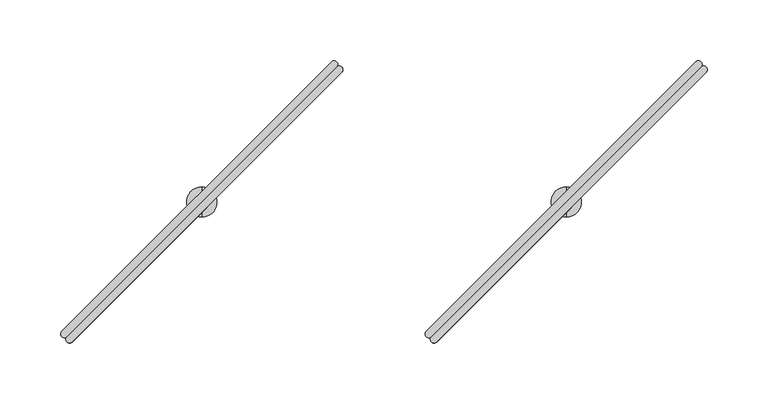
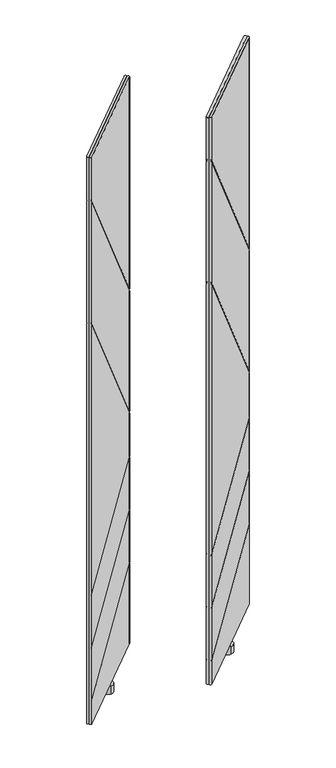
"""IFC4 building model written with IfcOpenShell, lengths in millimetres: furniture geometry."""

from ifc_helpers import new_model, si_unit, frame, origin, place, context, project, spatial, circle_curve, ellipse_curve, source, transform, mapped, element, save
from ifc_brep_helpers import plane_surface, cylinder_surface, advanced_brep


def furniture_d67586f5(model_context):
    return source(origin(), model_context, "Body", "AdvancedBrep", [
        advanced_brep(
        [(489.0781344, -183.0476726, 1544.5359983), (711.0420147, 39.0094149, 1544.5359983), (706.8263161, 43.2234083, 1544.5359983), (484.81456, -178.7849606, 1544.5359983), (489.0781344, -183.0476726, 44.4119983), (484.81456, -178.7849606, 44.4119983), (706.8263161, 43.2234083, 44.4119983), (711.0420147, 39.0094149, 44.4119983), (484.81456, -178.7849606, 1429.2878628), (484.3106978, -182.380027, 1433.3953437), (484.3106978, -182.380027, 1427.844375), (484.81456, -178.7849606, 1423.7368941), (484.81456, -178.7849606, 1105.2593803), (484.3106978, -182.380027, 1109.3659231), (484.3106978, -182.380027, 1103.8158008), (484.81456, -178.7849606, 1099.709258), (484.81456, -178.7849606, 391.2800429), (484.3106978, -182.380027, 389.9117165), (484.3106978, -182.380027, 386.372591), (484.81456, -178.7849606, 387.7409174), (484.81456, -178.7849606, 251.1168163), (484.3106978, -182.380027, 249.7483439), (484.3106978, -182.380027, 246.2091496), (484.81456, -178.7849606, 247.577622), (484.81456, -178.7849606, 110.9151613), (484.3106978, -182.380027, 109.5467302), (484.3106978, -182.380027, 106.0075554), (484.81456, -178.7849606, 107.3759865), (706.8263161, 43.2234083, 984.3412991), (706.8263161, 43.2234083, 255.6125147), (706.8263161, 43.2234083, 978.7903304), (706.8263161, 43.2234083, 660.4144411), (706.8263161, 43.2234083, 654.8643188), (706.8263161, 43.2234083, 539.5052317), (706.8263161, 43.2234083, 535.9661062), (706.8263161, 43.2234083, 399.3578128), (706.8263161, 43.2234083, 395.8186185), (706.8263161, 43.2234083, 259.1516895), (710.3498612, 43.6591364, 256.9343217), (710.3498612, 43.6591364, 260.4734965), (710.3498612, 43.6591364, 397.1404654), (710.3498612, 43.6591364, 400.6796597), (710.3498612, 43.6591364, 537.2878121), (710.3498612, 43.6591364, 540.8269377), (710.3498612, 43.6591364, 650.8976908), (710.3498612, 43.6591364, 656.4478131), (710.3498612, 43.6591364, 974.8227962), (710.3498612, 43.6591364, 980.3737649)],
        [
            (0, 1),
            (1, 2, circle_curve(frame((708.8820345, 41.0642596, 1544.5359983), z_axis=(0.0, 0.0, 1.0), x_axis=(0.6892541380737184, 0.724519656840486, 0.0)), 2.9812584)),
            (2, 3),
            (3, 0, circle_curve(frame((486.9461154, -180.9165485, 1544.5359983), z_axis=(0.0, 0.0, 1.0), x_axis=(-0.7071121751659861, -0.7071013871659622, 0.0)), 3.0144975)),
            (4, 5, circle_curve(frame((486.9461154, -180.9165485, 44.4119983), z_axis=(0.0, 0.0, -1.0), x_axis=(-0.7071121751659861, -0.7071013871659622, 0.0)), 3.0144975)),
            (5, 6),
            (6, 7, circle_curve(frame((708.8820345, 41.0642596, 44.4119983), z_axis=(0.0, 0.0, -1.0), x_axis=(0.6892541380737184, 0.724519656840486, 0.0)), 2.9812584)),
            (7, 4),
            (3, 8),
            (8, 9, ellipse_curve(frame((486.9461154, -180.9165485, 1429.2878953), z_axis=(0.577750975804524, 0.5777509758045234, 0.576548020475174), x_axis=(-0.40768101495767617, -0.4076810149576757, 0.817063265657047)), 5.2285281, 3.0144975)),
            (9, 10),
            (10, 11, ellipse_curve(frame((486.9461154, -180.9165485, 1423.7369267), z_axis=(-0.577750975804524, -0.5777509758045234, -0.576548020475174), x_axis=(-0.40768101495767617, -0.4076810149576757, 0.817063265657047)), 5.2285281, 3.0144975)),
            (11, 12),
            (12, 13, ellipse_curve(frame((486.9461154, -180.9165485, 1105.2594129), z_axis=(0.5777071023563686, 0.577707102356368, 0.576635940411294), x_axis=(-0.4077431837407081, -0.4077431837407078, 0.8170012192316377)), 5.2277309, 3.0144975)),
            (13, 14),
            (14, 15, ellipse_curve(frame((486.9461154, -180.9165485, 1099.7092905), z_axis=(-0.5777071023563686, -0.5777071023563679, -0.5766359404112942), x_axis=(-0.40774318374070834, -0.40774318374070784, 0.8170012192316375)), 5.2277309, 3.0144975)),
            (15, 16),
            (16, 17, ellipse_curve(frame((486.9461154, -180.9165485, 391.2800321), z_axis=(-0.3018753516577264, -0.3018753516577261, 0.9042911832607062), x_axis=(0.6394304278508526, 0.6394304278508519, 0.42691621646050404)), 3.3335474, 3.0144975)),
            (17, 18),
            (18, 19, ellipse_curve(frame((486.9461154, -180.9165485, 387.7409066), z_axis=(0.3018753516577265, 0.30187535165772633, -0.9042911832607061), x_axis=(0.6394304278508526, 0.6394304278508522, 0.4269162164605042)), 3.3335474, 3.0144975)),
            (19, 20),
            (20, 21, ellipse_curve(frame((486.9461154, -180.9165485, 251.1168054), z_axis=(-0.3019016772725295, -0.3019016772725292, 0.9042736060065379), x_axis=(0.6394179988552356, 0.6394179988552351, 0.4269534465019956)), 3.3336122, 3.0144975)),
            (21, 22),
            (22, 23, ellipse_curve(frame((486.9461154, -180.9165485, 247.5776111), z_axis=(0.3019016772725295, 0.30190167727252887, -0.9042736060065379), x_axis=(0.639417998855236, 0.6394179988552348, 0.42695344650199585)), 3.3336122, 3.0144975)),
            (23, 24),
            (24, 25, ellipse_curve(frame((486.9461154, -180.9165485, 110.9151505), z_axis=(-0.30189423598003035, -0.30189423598003007, 0.9042785746461471), x_axis=(0.6394215122139965, 0.6394215122139959, 0.4269429229252227)), 3.3335939, 3.0144975)),
            (25, 26),
            (26, 27, ellipse_curve(frame((486.9461154, -180.9165485, 107.3759756), z_axis=(0.30189423598002996, 0.3018942359800298, -0.9042785746461475), x_axis=(0.6394215122139967, 0.6394215122139962, 0.4269429229252216)), 3.3335939, 3.0144975)),
            (27, 5),
            (4, 0),
            (2, 28),
            (28, 8),
            (27, 29),
            (29, 6),
            (11, 30),
            (30, 31),
            (31, 12),
            (15, 32),
            (32, 33),
            (33, 16),
            (19, 34),
            (34, 35),
            (35, 20),
            (23, 36),
            (36, 37),
            (37, 24),
            (1, 7),
            (29, 38, ellipse_curve(frame((708.8820345, 41.0642596, 255.5779843), z_axis=(0.30189423598002996, 0.3018942359800298, -0.9042785746461475), x_axis=(0.6394215122139967, 0.6394215122139962, 0.4269429229252216)), 3.2968362, 2.9812584)),
            (38, 39),
            (39, 37, ellipse_curve(frame((708.8820345, 41.0642596, 259.1171592), z_axis=(-0.30189423598003035, -0.30189423598003007, 0.9042785746461471), x_axis=(0.6394215122139965, 0.6394215122139959, 0.4269429229252227)), 3.2968362, 2.9812584)),
            (36, 40, ellipse_curve(frame((708.8820345, 41.0642596, 395.7840871), z_axis=(0.3019016772725295, 0.30190167727252887, -0.9042736060065379), x_axis=(0.639417998855236, 0.6394179988552348, 0.42695344650199585)), 3.2968543, 2.9812584)),
            (40, 41),
            (41, 35, ellipse_curve(frame((708.8820345, 41.0642596, 399.3232814), z_axis=(-0.3019016772725295, -0.3019016772725292, 0.9042736060065379), x_axis=(0.6394179988552356, 0.6394179988552351, 0.4269534465019956)), 3.2968543, 2.9812584)),
            (34, 42, ellipse_curve(frame((708.8820345, 41.0642596, 535.9315785), z_axis=(0.3018753516577265, 0.30187535165772633, -0.9042911832607061), x_axis=(0.6394304278508526, 0.6394304278508522, 0.4269162164605042)), 3.2967902, 2.9812584)),
            (42, 43),
            (43, 33, ellipse_curve(frame((708.8820345, 41.0642596, 539.4707041), z_axis=(-0.3018753516577264, -0.3018753516577261, 0.9042911832607062), x_axis=(0.6394304278508526, 0.6394304278508519, 0.42691621646050404)), 3.2967902, 2.9812584)),
            (32, 44, ellipse_curve(frame((708.8820345, 41.0642596, 654.9679413), z_axis=(-0.5777071023563686, -0.5777071023563679, -0.5766359404112942), x_axis=(-0.40774318374070834, -0.40774318374070784, 0.8170012192316375)), 5.1700876, 2.9812584)),
            (44, 45),
            (45, 31, ellipse_curve(frame((708.8820345, 41.0642596, 660.5180637), z_axis=(0.5777071023563686, 0.577707102356368, 0.576635940411294), x_axis=(-0.4077431837407081, -0.4077431837407078, 0.8170012192316377)), 5.1700876, 2.9812584)),
            (30, 46, ellipse_curve(frame((708.8820345, 41.0642596, 978.8939766), z_axis=(-0.577750975804524, -0.5777509758045234, -0.576548020475174), x_axis=(-0.40768101495767617, -0.4076810149576757, 0.817063265657047)), 5.1708761, 2.9812584)),
            (46, 47),
            (47, 28, ellipse_curve(frame((708.8820345, 41.0642596, 984.4449453), z_axis=(0.577750975804524, 0.5777509758045234, 0.576548020475174), x_axis=(-0.40768101495767617, -0.4076810149576757, 0.817063265657047)), 5.1708761, 2.9812584)),
            (46, 10),
            (9, 47),
            (44, 14),
            (13, 45),
            (17, 43),
            (42, 18),
            (40, 22),
            (21, 41),
            (38, 26),
            (25, 39),
        ],
        [
            plane_surface(frame((597.9402563, -69.8999525, 1544.5359983), z_axis=(0.0, 0.0, 1.0000000000000002), x_axis=(0.7069583324882522, 0.7072551987263367, 0.0))),
            plane_surface(frame((597.9402563, -69.8999525, 44.4119983), z_axis=(0.0, 0.0, -1.0000000000000002), x_axis=(0.7069583324882522, 0.7072551987263367, 0.0))),
            cylinder_surface(frame((486.9461154, -180.9165485, 44.4119983), z_axis=(0.0, 0.0, 1.0), x_axis=(-0.7071121751659861, -0.7071013871659622, 0.0)), 3.0144975),
            plane_surface(frame((595.8204381, -67.7807761, 44.4119983), z_axis=(-0.7071013871659615, 0.7071121751659868, 0.0), x_axis=(-0.7071121751659868, -0.7071013871659615, 0.0))),
            cylinder_surface(frame((708.8820345, 41.0642596, 44.4119983), z_axis=(0.0, 0.0, 1.0), x_axis=(0.6892541380737184, 0.724519656840486, 0.0)), 2.9812584),
            plane_surface(frame((600.0600746, -72.0191288, 44.4119983), z_axis=(0.7072551987263367, -0.7069583324882522, 0.0), x_axis=(0.7069583324882522, 0.7072551987263367, 0.0))),
            plane_surface(frame((724.7313456, 58.0406208, 1894.4944788), z_axis=(-0.7071067811865472, 0.707106781186548, 0.0), x_axis=(0.0, 0.0, 1.0))),
            plane_surface(frame((450.3464654, -176.8311325, 1461.8699696), z_axis=(-0.577750975804524, -0.5777509758045234, -0.576548020475174), x_axis=(0.7071067811865472, -0.7071067811865479, 0.0))),
            plane_surface(frame((704.9747821, 77.7971843, 945.9998141), z_axis=(0.577750975804524, 0.5777509758045234, 0.576548020475174), x_axis=(0.7071067811865472, -0.7071067811865479, 0.0))),
            plane_surface(frame((450.3464654, -176.8311325, 1137.8340454), z_axis=(-0.5777071023563686, -0.577707102356368, -0.576635940411294), x_axis=(0.7071067811865472, -0.7071067811865479, 0.0))),
            plane_surface(frame((704.9747821, 77.7971843, 622.0812918), z_axis=(0.5777071023563686, 0.5777071023563679, 0.5766359404112942), x_axis=(0.7071067811865471, -0.707106781186548, 0.0))),
            plane_surface(frame((704.9747821, 77.7971843, 546.8896212), z_axis=(-0.3018753516577265, -0.30187535165772633, 0.9042911832607061), x_axis=(0.7071067811865474, -0.7071067811865477, 0.0))),
            plane_surface(frame((450.3464654, -176.8311325, 380.4259554), z_axis=(0.30187535165772644, 0.30187535165772617, -0.9042911832607065), x_axis=(0.7071067811865472, -0.7071067811865479, 0.0))),
            plane_surface(frame((450.3464654, -176.8311325, 240.2615712), z_axis=(0.3019016772725295, 0.3019016772725292, -0.9042736060065379), x_axis=(0.7071067811865472, -0.7071067811865479, 0.0))),
            plane_surface(frame((704.9747821, 77.7971843, 406.7432984), z_axis=(-0.3019016772725295, -0.30190167727252887, 0.9042736060065379), x_axis=(0.7071067811865468, -0.7071067811865482, 0.0))),
            plane_surface(frame((450.3464654, -176.8311325, 100.0602435), z_axis=(0.3018942359800304, 0.3018942359800301, -0.9042785746461474), x_axis=(0.7071067811865472, -0.7071067811865479, 0.0))),
            plane_surface(frame((704.9747821, 77.7971843, 266.5368653), z_axis=(-0.30189423598002996, -0.3018942359800298, 0.9042785746461475), x_axis=(0.7071067811865474, -0.7071067811865477, 0.0))),
        ],
        [
            (0, [[1, 2, 3, 4]]),
            (1, [[5, 6, 7, 8]]),
            (2, [[-4, 9, 10, 11, 12, 13, 14, 15, 16, 17, 18, 19, 20, 21, 22, 23, 24, 25, 26, 27, 28, 29, -5, 30]]),
            (3, [[-3, 31, 32, -9]]),
            (3, [[-6, -29, 33, 34]]),
            (3, [[-13, 35, 36, 37]]),
            (3, [[-17, 38, 39, 40]]),
            (3, [[-21, 41, 42, 43]]),
            (3, [[-25, 44, 45, 46]]),
            (4, [[-2, 47, -7, -34, 48, 49, 50, -45, 51, 52, 53, -42, 54, 55, 56, -39, 57, 58, 59, -36, 60, 61, 62, -31]]),
            (5, [[-1, -30, -8, -47]]),
            (6, [[63, -11, 64, -61]]),
            (6, [[65, -15, 66, -58]]),
            (6, [[67, -55, 68, -19]]),
            (6, [[69, -23, 70, -52]]),
            (6, [[71, -27, 72, -49]]),
            (7, [[-64, -10, -32, -62]]),
            (8, [[-63, -60, -35, -12]]),
            (9, [[-66, -14, -37, -59]]),
            (10, [[-65, -57, -38, -16]]),
            (11, [[-68, -54, -41, -20]]),
            (12, [[-67, -18, -40, -56]]),
            (13, [[-70, -22, -43, -53]]),
            (14, [[-69, -51, -44, -24]]),
            (15, [[-72, -26, -46, -50]]),
            (16, [[-71, -48, -33, -28]]),
        ],
    ),
        advanced_brep(
        [(489.0388266, -183.0083649, 1544.5359983), (493.3015387, -187.2719392, 1544.5359983), (715.3099076, 34.7398168, 1544.5359983), (711.0959142, 38.9555155, 1544.5359983), (489.0388267, -183.0083649, 44.4119983), (711.0959142, 38.9555155, 44.4119983), (715.3099076, 34.7398168, 44.4119983), (493.3015387, -187.2719392, 44.4119983), (493.3015387, -187.2719392, 107.3759865), (489.7064723, -187.7758015, 106.0075554), (489.7064723, -187.7758015, 109.5467302), (493.3015387, -187.2719392, 110.9151613), (493.3015387, -187.2719392, 247.577622), (489.7064723, -187.7758015, 246.2091496), (489.7064723, -187.7758015, 249.7483439), (493.3015387, -187.2719392, 251.1168163), (493.3015387, -187.2719392, 387.7409174), (489.7064723, -187.7758015, 386.372591), (489.7064723, -187.7758015, 389.9117165), (493.3015387, -187.2719392, 391.2800429), (493.3015387, -187.2719392, 1099.709258), (489.7064723, -187.7758015, 1103.8158008), (489.7064723, -187.7758015, 1109.3659231), (493.3015387, -187.2719392, 1105.2593803), (493.3015387, -187.2719392, 1423.7368941), (489.7064723, -187.7758015, 1427.844375), (489.7064723, -187.7758015, 1433.3953437), (493.3015387, -187.2719392, 1429.2878628), (715.3099076, 34.7398168, 259.1516895), (715.3099076, 34.7398168, 395.8186185), (715.3099076, 34.7398168, 399.3578128), (715.3099076, 34.7398168, 535.9661062), (715.3099076, 34.7398168, 539.5052317), (715.3099076, 34.7398168, 654.8643188), (715.3099076, 34.7398168, 660.4144411), (715.3099076, 34.7398168, 978.7903304), (715.3099076, 34.7398168, 984.3412991), (715.3099076, 34.7398168, 255.6125147), (715.7456357, 38.263362, 980.3737649), (715.7456357, 38.263362, 974.8227962), (715.7456357, 38.263362, 656.4478131), (715.7456357, 38.263362, 650.8976908), (715.7456357, 38.263362, 540.8269377), (715.7456357, 38.263362, 537.2878121), (715.7456357, 38.263362, 400.6796597), (715.7456357, 38.263362, 397.1404654), (715.7456357, 38.263362, 260.4734965), (715.7456357, 38.263362, 256.9343217)],
        [
            (0, 1, circle_curve(frame((491.1699508, -185.1403839, 1544.5359983), z_axis=(0.0, 0.0, 1.0), x_axis=(-0.7072551987263337, -0.7069583324882551, 0.0)), 3.0144975)),
            (1, 2),
            (2, 3, circle_curve(frame((713.1507589, 36.7955352, 1544.5359983), z_axis=(0.0, 0.0, 1.0), x_axis=(0.6895472047235311, 0.7242407420588576, 0.0)), 2.9812584)),
            (3, 0),
            (4, 5),
            (5, 6, circle_curve(frame((713.1507589, 36.7955352, 44.4119983), z_axis=(0.0, 0.0, -1.0), x_axis=(0.6895472047235311, 0.7242407420588576, 0.0)), 2.9812584)),
            (6, 7),
            (7, 4, circle_curve(frame((491.1699508, -185.1403839, 44.4119983), z_axis=(0.0, 0.0, -1.0), x_axis=(-0.7072551987263337, -0.7069583324882551, 0.0)), 3.0144975)),
            (0, 4),
            (7, 8),
            (8, 9, ellipse_curve(frame((491.1699508, -185.1403839, 107.3759756), z_axis=(0.3018942359800301, 0.3018942359800296, -0.9042785746461475), x_axis=(0.6394215122139969, 0.6394215122139959, 0.4269429229252216)), 3.3335939, 3.0144975)),
            (9, 10),
            (10, 11, ellipse_curve(frame((491.1699508, -185.1403839, 110.9151505), z_axis=(-0.30189423598003046, -0.3018942359800299, 0.9042785746461472), x_axis=(0.639421512213997, 0.6394215122139958, 0.42694292292522235)), 3.3335939, 3.0144975)),
            (11, 12),
            (12, 13, ellipse_curve(frame((491.1699508, -185.1403839, 247.5776111), z_axis=(0.3019016772725294, 0.3019016772725289, -0.9042736060065379), x_axis=(0.6394179988552359, 0.6394179988552348, 0.4269534465019958)), 3.3336122, 3.0144975)),
            (13, 14),
            (14, 15, ellipse_curve(frame((491.1699508, -185.1403839, 251.1168054), z_axis=(-0.30190167727252964, -0.3019016772725291, 0.9042736060065377), x_axis=(0.6394179988552356, 0.6394179988552345, 0.42695344650199624)), 3.3336122, 3.0144975)),
            (15, 16),
            (16, 17, ellipse_curve(frame((491.1699508, -185.1403839, 387.7409066), z_axis=(0.3018753516577267, 0.3018753516577262, -0.9042911832607062), x_axis=(0.6394304278508529, 0.6394304278508518, 0.42691621646050376)), 3.3335474, 3.0144975)),
            (17, 18),
            (18, 19, ellipse_curve(frame((491.1699508, -185.1403839, 391.2800321), z_axis=(-0.3018753516577265, -0.30187535165772594, 0.9042911832607062), x_axis=(0.6394304278508529, 0.6394304278508517, 0.42691621646050404)), 3.3335474, 3.0144975)),
            (19, 20),
            (20, 21, ellipse_curve(frame((491.1699508, -185.1403839, 1099.7092905), z_axis=(-0.5777071023563687, -0.5777071023563677, -0.5766359404112942), x_axis=(-0.40774318374070845, -0.4077431837407077, 0.8170012192316376)), 5.2277309, 3.0144975)),
            (21, 22),
            (22, 23, ellipse_curve(frame((491.1699508, -185.1403839, 1105.2594129), z_axis=(0.5777071023563689, 0.5777071023563678, 0.576635940411294), x_axis=(-0.4077431837407084, -0.40774318374070756, 0.8170012192316377)), 5.2277309, 3.0144975)),
            (23, 24),
            (24, 25, ellipse_curve(frame((491.1699508, -185.1403839, 1423.7369267), z_axis=(-0.5777509758045232, -0.5777509758045242, -0.5765480204751738), x_axis=(-0.40768101495767556, -0.4076810149576762, 0.8170632656570472)), 5.2285281, 3.0144975)),
            (25, 26),
            (26, 27, ellipse_curve(frame((491.1699508, -185.1403839, 1429.2878953), z_axis=(0.5777509758045243, 0.5777509758045233, 0.5765480204751738), x_axis=(-0.4076810149576763, -0.4076810149576756, 0.8170632656570472)), 5.2285281, 3.0144975)),
            (27, 1),
            (11, 28),
            (28, 29),
            (29, 12),
            (15, 30),
            (30, 31),
            (31, 16),
            (19, 32),
            (32, 33),
            (33, 20),
            (23, 34),
            (34, 35),
            (35, 24),
            (27, 36),
            (36, 2),
            (6, 37),
            (37, 8),
            (36, 38, ellipse_curve(frame((713.1507589, 36.7955352, 984.4449453), z_axis=(0.5777509758045243, 0.5777509758045233, 0.5765480204751738), x_axis=(-0.4076810149576763, -0.4076810149576756, 0.8170632656570472)), 5.1708761, 2.9812584)),
            (38, 39),
            (39, 35, ellipse_curve(frame((713.1507589, 36.7955352, 978.8939766), z_axis=(-0.5777509758045232, -0.5777509758045242, -0.5765480204751738), x_axis=(-0.40768101495767556, -0.4076810149576762, 0.8170632656570472)), 5.1708761, 2.9812584)),
            (34, 40, ellipse_curve(frame((713.1507589, 36.7955352, 660.5180637), z_axis=(0.5777071023563689, 0.5777071023563678, 0.576635940411294), x_axis=(-0.4077431837407084, -0.40774318374070756, 0.8170012192316377)), 5.1700876, 2.9812584)),
            (40, 41),
            (41, 33, ellipse_curve(frame((713.1507589, 36.7955352, 654.9679413), z_axis=(-0.5777071023563687, -0.5777071023563677, -0.5766359404112942), x_axis=(-0.40774318374070845, -0.4077431837407077, 0.8170012192316376)), 5.1700876, 2.9812584)),
            (32, 42, ellipse_curve(frame((713.1507589, 36.7955352, 539.4707041), z_axis=(-0.3018753516577265, -0.30187535165772594, 0.9042911832607062), x_axis=(0.6394304278508529, 0.6394304278508517, 0.42691621646050404)), 3.2967902, 2.9812584)),
            (42, 43),
            (43, 31, ellipse_curve(frame((713.1507589, 36.7955352, 535.9315785), z_axis=(0.3018753516577267, 0.3018753516577262, -0.9042911832607062), x_axis=(0.6394304278508529, 0.6394304278508518, 0.42691621646050376)), 3.2967902, 2.9812584)),
            (30, 44, ellipse_curve(frame((713.1507589, 36.7955352, 399.3232814), z_axis=(-0.30190167727252964, -0.3019016772725291, 0.9042736060065377), x_axis=(0.6394179988552356, 0.6394179988552345, 0.42695344650199624)), 3.2968543, 2.9812584)),
            (44, 45),
            (45, 29, ellipse_curve(frame((713.1507589, 36.7955352, 395.7840871), z_axis=(0.3019016772725294, 0.3019016772725289, -0.9042736060065379), x_axis=(0.6394179988552359, 0.6394179988552348, 0.4269534465019958)), 3.2968543, 2.9812584)),
            (28, 46, ellipse_curve(frame((713.1507589, 36.7955352, 259.1171592), z_axis=(-0.30189423598003046, -0.3018942359800299, 0.9042785746461472), x_axis=(0.639421512213997, 0.6394215122139958, 0.42694292292522235)), 3.2968362, 2.9812584)),
            (46, 47),
            (47, 37, ellipse_curve(frame((713.1507589, 36.7955352, 255.5779843), z_axis=(0.3018942359800301, 0.3018942359800296, -0.9042785746461475), x_axis=(0.6394215122139969, 0.6394215122139959, 0.4269429229252216)), 3.2968362, 2.9812584)),
            (5, 3),
            (38, 26),
            (25, 39),
            (40, 22),
            (21, 41),
            (17, 43),
            (42, 18),
            (44, 14),
            (13, 45),
            (46, 10),
            (9, 47),
        ],
        [
            plane_surface(frame((602.1865468, -74.146243, 1544.5359983), z_axis=(0.0, 0.0, 1.0000000000000002), x_axis=(-0.7072551987263422, -0.7069583324882467, 0.0))),
            plane_surface(frame((602.1865468, -74.146243, 44.4119983), z_axis=(0.0, 0.0, -1.0000000000000002), x_axis=(-0.7072551987263422, -0.7069583324882467, 0.0))),
            cylinder_surface(frame((491.1699508, -185.1403839, 44.4119983), z_axis=(0.0, 0.0, 1.0), x_axis=(-0.7072551987263337, -0.7069583324882551, 0.0)), 3.0144975),
            plane_surface(frame((604.3057231, -76.2660612, 44.4119983), z_axis=(0.7071121751659858, -0.7071013871659624, 0.0), x_axis=(0.7071013871659624, 0.7071121751659858, 0.0))),
            cylinder_surface(frame((713.1507589, 36.7955352, 44.4119983), z_axis=(0.0, 0.0, 1.0), x_axis=(0.6895472047235311, 0.7242407420588576, 0.0)), 2.9812584),
            plane_surface(frame((600.0673705, -72.0264247, 44.4119983), z_axis=(-0.7069583324882512, 0.7072551987263376, 0.0), x_axis=(-0.7072551987263376, -0.7069583324882512, 0.0))),
            plane_surface(frame((700.8281536, 23.3458798, 1010.2709792), z_axis=(0.7071067811865471, -0.7071067811865481, 0.0), x_axis=(0.40768101495767617, 0.40768101495767556, -0.8170632656570473))),
            plane_surface(frame((749.8836836, 32.8882829, 951.5507828), z_axis=(-0.5777509758045242, -0.5777509758045232, -0.5765480204751737), x_axis=(-0.7071067811865469, 0.7071067811865481, 0.0))),
            plane_surface(frame((495.2553668, -221.7400339, 1456.3190009), z_axis=(0.5777509758045232, 0.5777509758045242, 0.5765480204751738), x_axis=(-0.7071067811865481, 0.7071067811865469, 0.0))),
            plane_surface(frame((749.8836836, 32.8882829, 627.6314141), z_axis=(-0.5777071023563689, -0.5777071023563678, -0.576635940411294), x_axis=(-0.7071067811865469, 0.7071067811865482, 0.0))),
            plane_surface(frame((495.2553668, -221.7400339, 1132.2839231), z_axis=(0.5777071023563687, 0.5777071023563677, 0.5766359404112942), x_axis=(-0.7071067811865469, 0.7071067811865481, 0.0))),
            plane_surface(frame((495.2553668, -221.7400339, 376.8868299), z_axis=(-0.3018753516577267, -0.3018753516577262, 0.9042911832607062), x_axis=(-0.7071067811865469, 0.7071067811865481, 0.0))),
            plane_surface(frame((749.8836836, 32.8882829, 550.4287468), z_axis=(0.30187535165772655, 0.301875351657726, -0.9042911832607065), x_axis=(-0.7071067811865469, 0.7071067811865482, 0.0))),
            plane_surface(frame((749.8836836, 32.8882829, 410.2824928), z_axis=(0.3019016772725297, 0.30190167727252915, -0.9042736060065379), x_axis=(-0.7071067811865469, 0.7071067811865482, 0.0))),
            plane_surface(frame((495.2553668, -221.7400339, 236.7223769), z_axis=(-0.3019016772725294, -0.3019016772725289, 0.9042736060065379), x_axis=(-0.7071067811865469, 0.7071067811865481, 0.0))),
            plane_surface(frame((749.8836836, 32.8882829, 270.0760402), z_axis=(0.3018942359800305, 0.30189423598002996, -0.9042785746461475), x_axis=(-0.7071067811865469, 0.7071067811865482, 0.0))),
            plane_surface(frame((495.2553668, -221.7400339, 96.5210686), z_axis=(-0.3018942359800301, -0.3018942359800296, 0.9042785746461475), x_axis=(-0.7071067811865469, 0.7071067811865481, 0.0))),
        ],
        [
            (0, [[1, 2, 3, 4]]),
            (1, [[5, 6, 7, 8]]),
            (2, [[-1, 9, -8, 10, 11, 12, 13, 14, 15, 16, 17, 18, 19, 20, 21, 22, 23, 24, 25, 26, 27, 28, 29, 30]]),
            (3, [[-14, 31, 32, 33]]),
            (3, [[-18, 34, 35, 36]]),
            (3, [[-22, 37, 38, 39]]),
            (3, [[-26, 40, 41, 42]]),
            (3, [[-2, -30, 43, 44]]),
            (3, [[-7, 45, 46, -10]]),
            (4, [[-3, -44, 47, 48, 49, -41, 50, 51, 52, -38, 53, 54, 55, -35, 56, 57, 58, -32, 59, 60, 61, -45, -6, 62]]),
            (5, [[-4, -62, -5, -9]]),
            (6, [[63, -28, 64, -48]]),
            (6, [[65, -24, 66, -51]]),
            (6, [[67, -54, 68, -20]]),
            (6, [[69, -16, 70, -57]]),
            (6, [[71, -12, 72, -60]]),
            (7, [[-63, -47, -43, -29]]),
            (8, [[-64, -27, -42, -49]]),
            (9, [[-65, -50, -40, -25]]),
            (10, [[-66, -23, -39, -52]]),
            (11, [[-67, -19, -36, -55]]),
            (12, [[-68, -53, -37, -21]]),
            (13, [[-69, -56, -34, -17]]),
            (14, [[-70, -15, -33, -58]]),
            (15, [[-71, -59, -31, -13]]),
            (16, [[-72, -11, -46, -61]]),
        ],
    ),
        advanced_brep(
        [(599.9988, -84.5709522, 44.4119983), (599.9988, -59.5748171, 44.4119983), (599.9988, -59.5748171, 23.6755986), (599.9988, -84.5709522, 23.6755986), (599.9988, -72.0728847, 44.4119983), (599.9988, -72.0728847, 23.6755986)],
        [
            (0, 1, circle_curve(frame((599.9988, -72.0728847, 44.4119983), z_axis=(0.0, 0.0, -1.0), x_axis=(0.0, 1.0, 0.0)), 12.4980675)),
            (1, 2),
            (2, 3, circle_curve(frame((599.9988, -72.0728847, 23.6755986), z_axis=(0.0, 0.0, 1.0), x_axis=(0.0, 1.0, 0.0)), 12.4980675)),
            (3, 0),
            (4, 1),
            (0, 4),
            (0, 1, circle_curve(frame((599.9988, -72.0728847, 44.4119983), z_axis=(0.0, 0.0, 1.0), x_axis=(0.0, 1.0, 0.0)), 12.4980675)),
            (2, 5),
            (5, 3),
            (2, 3, circle_curve(frame((599.9988, -72.0728847, 23.6755986), z_axis=(0.0, 0.0, -1.0), x_axis=(0.0, 1.0, 0.0)), 12.4980675)),
        ],
        [
            cylinder_surface(frame((599.9988, -72.0728847, 51.9527758), z_axis=(0.0, 0.0, 1.0), x_axis=(0.0, 1.0, 0.0)), 12.4980675),
            plane_surface(frame((599.9988, -72.0728847, 44.4119983), z_axis=(0.0, 0.0, 1.0), x_axis=(0.0, 1.0, 0.0))),
            plane_surface(frame((599.9988, -72.0728847, 23.6755986), z_axis=(0.0, 0.0, -1.0), x_axis=(0.0, 1.0, 0.0))),
        ],
        [
            (0, [[1, 2, 3, 4]]),
            (1, [[5, -1, 6]]),
            (1, [[-6, 7, -5]]),
            (2, [[-3, 8, 9]]),
            (2, [[10, -9, -8]]),
            (0, [[-7, -4, -10, -2]]),
        ],
    ),
        advanced_brep(
        [(189.0787344, -183.0476726, 1544.5359983), (411.0426147, 39.0094149, 1544.5359983), (406.8269161, 43.2234083, 1544.5359983), (184.81516, -178.7849606, 1544.5359983), (189.0787344, -183.0476726, 44.4119983), (184.81516, -178.7849606, 44.4119983), (406.8269161, 43.2234083, 44.4119983), (411.0426147, 39.0094149, 44.4119983), (184.81516, -178.7849606, 1429.2878628), (184.3112978, -182.380027, 1433.3953437), (184.3112978, -182.380027, 1427.844375), (184.81516, -178.7849606, 1423.7368941), (184.81516, -178.7849606, 1105.2593803), (184.3112978, -182.380027, 1109.3659231), (184.3112978, -182.380027, 1103.8158008), (184.81516, -178.7849606, 1099.709258), (184.81516, -178.7849606, 391.2800429), (184.3112978, -182.380027, 389.9117165), (184.3112978, -182.380027, 386.372591), (184.81516, -178.7849606, 387.7409174), (184.81516, -178.7849606, 251.1168163), (184.3112978, -182.380027, 249.7483439), (184.3112978, -182.380027, 246.2091496), (184.81516, -178.7849606, 247.577622), (184.81516, -178.7849606, 110.9151613), (184.3112978, -182.380027, 109.5467302), (184.3112978, -182.380027, 106.0075554), (184.81516, -178.7849606, 107.3759865), (406.8269161, 43.2234083, 984.3412991), (406.8269161, 43.2234083, 255.6125147), (406.8269161, 43.2234083, 978.7903304), (406.8269161, 43.2234083, 660.4144411), (406.8269161, 43.2234083, 654.8643188), (406.8269161, 43.2234083, 539.5052317), (406.8269161, 43.2234083, 535.9661062), (406.8269161, 43.2234083, 399.3578128), (406.8269161, 43.2234083, 395.8186185), (406.8269161, 43.2234083, 259.1516895), (410.3504612, 43.6591364, 256.9343217), (410.3504612, 43.6591364, 260.4734965), (410.3504612, 43.6591364, 397.1404654), (410.3504612, 43.6591364, 400.6796597), (410.3504612, 43.6591364, 537.2878121), (410.3504612, 43.6591364, 540.8269377), (410.3504612, 43.6591364, 650.8976908), (410.3504612, 43.6591364, 656.4478131), (410.3504612, 43.6591364, 974.8227962), (410.3504612, 43.6591364, 980.3737649)],
        [
            (0, 1),
            (1, 2, circle_curve(frame((408.8826345, 41.0642596, 1544.5359983), z_axis=(0.0, 0.0, 1.0), x_axis=(0.6892541380737184, 0.724519656840486, 0.0)), 2.9812584)),
            (2, 3),
            (3, 0, circle_curve(frame((186.9467154, -180.9165485, 1544.5359983), z_axis=(0.0, 0.0, 1.0), x_axis=(-0.7071121751659861, -0.7071013871659622, 0.0)), 3.0144975)),
            (4, 5, circle_curve(frame((186.9467154, -180.9165485, 44.4119983), z_axis=(0.0, 0.0, -1.0), x_axis=(-0.7071121751659861, -0.7071013871659622, 0.0)), 3.0144975)),
            (5, 6),
            (6, 7, circle_curve(frame((408.8826345, 41.0642596, 44.4119983), z_axis=(0.0, 0.0, -1.0), x_axis=(0.6892541380737184, 0.724519656840486, 0.0)), 2.9812584)),
            (7, 4),
            (3, 8),
            (8, 9, ellipse_curve(frame((186.9467154, -180.9165485, 1429.2878953), z_axis=(0.577750975804524, 0.5777509758045234, 0.576548020475174), x_axis=(-0.40768101495767617, -0.4076810149576757, 0.817063265657047)), 5.2285281, 3.0144975)),
            (9, 10),
            (10, 11, ellipse_curve(frame((186.9467154, -180.9165485, 1423.7369267), z_axis=(-0.577750975804524, -0.5777509758045234, -0.576548020475174), x_axis=(-0.40768101495767617, -0.4076810149576757, 0.817063265657047)), 5.2285281, 3.0144975)),
            (11, 12),
            (12, 13, ellipse_curve(frame((186.9467154, -180.9165485, 1105.2594129), z_axis=(0.5777071023563686, 0.577707102356368, 0.576635940411294), x_axis=(-0.4077431837407081, -0.4077431837407078, 0.8170012192316377)), 5.2277309, 3.0144975)),
            (13, 14),
            (14, 15, ellipse_curve(frame((186.9467154, -180.9165485, 1099.7092905), z_axis=(-0.5777071023563686, -0.5777071023563679, -0.5766359404112942), x_axis=(-0.40774318374070834, -0.40774318374070784, 0.8170012192316375)), 5.2277309, 3.0144975)),
            (15, 16),
            (16, 17, ellipse_curve(frame((186.9467154, -180.9165485, 391.2800321), z_axis=(-0.3018753516577264, -0.3018753516577261, 0.9042911832607062), x_axis=(0.6394304278508526, 0.6394304278508519, 0.42691621646050404)), 3.3335474, 3.0144975)),
            (17, 18),
            (18, 19, ellipse_curve(frame((186.9467154, -180.9165485, 387.7409066), z_axis=(0.3018753516577265, 0.30187535165772633, -0.9042911832607061), x_axis=(0.6394304278508526, 0.6394304278508522, 0.4269162164605042)), 3.3335474, 3.0144975)),
            (19, 20),
            (20, 21, ellipse_curve(frame((186.9467154, -180.9165485, 251.1168054), z_axis=(-0.3019016772725295, -0.3019016772725292, 0.9042736060065379), x_axis=(0.6394179988552356, 0.6394179988552351, 0.4269534465019956)), 3.3336122, 3.0144975)),
            (21, 22),
            (22, 23, ellipse_curve(frame((186.9467154, -180.9165485, 247.5776111), z_axis=(0.3019016772725295, 0.30190167727252887, -0.9042736060065379), x_axis=(0.639417998855236, 0.6394179988552348, 0.42695344650199585)), 3.3336122, 3.0144975)),
            (23, 24),
            (24, 25, ellipse_curve(frame((186.9467154, -180.9165485, 110.9151505), z_axis=(-0.30189423598003035, -0.30189423598003007, 0.9042785746461471), x_axis=(0.6394215122139965, 0.6394215122139959, 0.4269429229252227)), 3.3335939, 3.0144975)),
            (25, 26),
            (26, 27, ellipse_curve(frame((186.9467154, -180.9165485, 107.3759756), z_axis=(0.30189423598002996, 0.3018942359800298, -0.9042785746461475), x_axis=(0.6394215122139967, 0.6394215122139962, 0.4269429229252216)), 3.3335939, 3.0144975)),
            (27, 5),
            (4, 0),
            (2, 28),
            (28, 8),
            (27, 29),
            (29, 6),
            (11, 30),
            (30, 31),
            (31, 12),
            (15, 32),
            (32, 33),
            (33, 16),
            (19, 34),
            (34, 35),
            (35, 20),
            (23, 36),
            (36, 37),
            (37, 24),
            (1, 7),
            (29, 38, ellipse_curve(frame((408.8826345, 41.0642596, 255.5779843), z_axis=(0.30189423598002996, 0.3018942359800298, -0.9042785746461475), x_axis=(0.6394215122139967, 0.6394215122139962, 0.4269429229252216)), 3.2968362, 2.9812584)),
            (38, 39),
            (39, 37, ellipse_curve(frame((408.8826345, 41.0642596, 259.1171592), z_axis=(-0.30189423598003035, -0.30189423598003007, 0.9042785746461471), x_axis=(0.6394215122139965, 0.6394215122139959, 0.4269429229252227)), 3.2968362, 2.9812584)),
            (36, 40, ellipse_curve(frame((408.8826345, 41.0642596, 395.7840871), z_axis=(0.3019016772725295, 0.30190167727252887, -0.9042736060065379), x_axis=(0.639417998855236, 0.6394179988552348, 0.42695344650199585)), 3.2968543, 2.9812584)),
            (40, 41),
            (41, 35, ellipse_curve(frame((408.8826345, 41.0642596, 399.3232814), z_axis=(-0.3019016772725295, -0.3019016772725292, 0.9042736060065379), x_axis=(0.6394179988552356, 0.6394179988552351, 0.4269534465019956)), 3.2968543, 2.9812584)),
            (34, 42, ellipse_curve(frame((408.8826345, 41.0642596, 535.9315785), z_axis=(0.3018753516577265, 0.30187535165772633, -0.9042911832607061), x_axis=(0.6394304278508526, 0.6394304278508522, 0.4269162164605042)), 3.2967902, 2.9812584)),
            (42, 43),
            (43, 33, ellipse_curve(frame((408.8826345, 41.0642596, 539.4707041), z_axis=(-0.3018753516577264, -0.3018753516577261, 0.9042911832607062), x_axis=(0.6394304278508526, 0.6394304278508519, 0.42691621646050404)), 3.2967902, 2.9812584)),
            (32, 44, ellipse_curve(frame((408.8826345, 41.0642596, 654.9679413), z_axis=(-0.5777071023563686, -0.5777071023563679, -0.5766359404112942), x_axis=(-0.40774318374070834, -0.40774318374070784, 0.8170012192316375)), 5.1700876, 2.9812584)),
            (44, 45),
            (45, 31, ellipse_curve(frame((408.8826345, 41.0642596, 660.5180637), z_axis=(0.5777071023563686, 0.577707102356368, 0.576635940411294), x_axis=(-0.4077431837407081, -0.4077431837407078, 0.8170012192316377)), 5.1700876, 2.9812584)),
            (30, 46, ellipse_curve(frame((408.8826345, 41.0642596, 978.8939766), z_axis=(-0.577750975804524, -0.5777509758045234, -0.576548020475174), x_axis=(-0.40768101495767617, -0.4076810149576757, 0.817063265657047)), 5.1708761, 2.9812584)),
            (46, 47),
            (47, 28, ellipse_curve(frame((408.8826345, 41.0642596, 984.4449453), z_axis=(0.577750975804524, 0.5777509758045234, 0.576548020475174), x_axis=(-0.40768101495767617, -0.4076810149576757, 0.817063265657047)), 5.1708761, 2.9812584)),
            (46, 10),
            (9, 47),
            (44, 14),
            (13, 45),
            (17, 43),
            (42, 18),
            (40, 22),
            (21, 41),
            (38, 26),
            (25, 39),
        ],
        [
            plane_surface(frame((297.9408563, -69.8999525, 1544.5359983), z_axis=(0.0, 0.0, 1.0000000000000002), x_axis=(0.7069583324882522, 0.7072551987263367, 0.0))),
            plane_surface(frame((297.9408563, -69.8999525, 44.4119983), z_axis=(0.0, 0.0, -1.0000000000000002), x_axis=(0.7069583324882522, 0.7072551987263367, 0.0))),
            cylinder_surface(frame((186.9467154, -180.9165485, 44.4119983), z_axis=(0.0, 0.0, 1.0), x_axis=(-0.7071121751659861, -0.7071013871659622, 0.0)), 3.0144975),
            plane_surface(frame((295.8210381, -67.7807761, 44.4119983), z_axis=(-0.7071013871659615, 0.7071121751659868, 0.0), x_axis=(-0.7071121751659868, -0.7071013871659615, 0.0))),
            cylinder_surface(frame((408.8826345, 41.0642596, 44.4119983), z_axis=(0.0, 0.0, 1.0), x_axis=(0.6892541380737184, 0.724519656840486, 0.0)), 2.9812584),
            plane_surface(frame((300.0606746, -72.0191288, 44.4119983), z_axis=(0.7072551987263367, -0.7069583324882522, 0.0), x_axis=(0.7069583324882522, 0.7072551987263367, 0.0))),
            plane_surface(frame((424.7319456, 58.0406208, 1894.4944788), z_axis=(-0.7071067811865472, 0.707106781186548, 0.0), x_axis=(0.0, 0.0, 1.0))),
            plane_surface(frame((150.3470654, -176.8311325, 1461.8699696), z_axis=(-0.577750975804524, -0.5777509758045234, -0.576548020475174), x_axis=(0.7071067811865472, -0.7071067811865479, 0.0))),
            plane_surface(frame((404.9753821, 77.7971843, 945.9998141), z_axis=(0.577750975804524, 0.5777509758045234, 0.576548020475174), x_axis=(0.7071067811865472, -0.7071067811865479, 0.0))),
            plane_surface(frame((150.3470654, -176.8311325, 1137.8340454), z_axis=(-0.5777071023563686, -0.577707102356368, -0.576635940411294), x_axis=(0.7071067811865472, -0.7071067811865479, 0.0))),
            plane_surface(frame((404.9753821, 77.7971843, 622.0812918), z_axis=(0.5777071023563686, 0.5777071023563679, 0.5766359404112942), x_axis=(0.7071067811865471, -0.707106781186548, 0.0))),
            plane_surface(frame((404.9753821, 77.7971843, 546.8896212), z_axis=(-0.3018753516577265, -0.30187535165772633, 0.9042911832607061), x_axis=(0.7071067811865474, -0.7071067811865477, 0.0))),
            plane_surface(frame((150.3470654, -176.8311325, 380.4259554), z_axis=(0.30187535165772644, 0.30187535165772617, -0.9042911832607065), x_axis=(0.7071067811865472, -0.7071067811865479, 0.0))),
            plane_surface(frame((150.3470654, -176.8311325, 240.2615712), z_axis=(0.3019016772725295, 0.3019016772725292, -0.9042736060065379), x_axis=(0.7071067811865472, -0.7071067811865479, 0.0))),
            plane_surface(frame((404.9753821, 77.7971843, 406.7432984), z_axis=(-0.3019016772725295, -0.30190167727252887, 0.9042736060065379), x_axis=(0.7071067811865468, -0.7071067811865482, 0.0))),
            plane_surface(frame((150.3470654, -176.8311325, 100.0602435), z_axis=(0.3018942359800304, 0.3018942359800301, -0.9042785746461474), x_axis=(0.7071067811865472, -0.7071067811865479, 0.0))),
            plane_surface(frame((404.9753821, 77.7971843, 266.5368653), z_axis=(-0.30189423598002996, -0.3018942359800298, 0.9042785746461475), x_axis=(0.7071067811865474, -0.7071067811865477, 0.0))),
        ],
        [
            (0, [[1, 2, 3, 4]]),
            (1, [[5, 6, 7, 8]]),
            (2, [[-4, 9, 10, 11, 12, 13, 14, 15, 16, 17, 18, 19, 20, 21, 22, 23, 24, 25, 26, 27, 28, 29, -5, 30]]),
            (3, [[-3, 31, 32, -9]]),
            (3, [[-6, -29, 33, 34]]),
            (3, [[-13, 35, 36, 37]]),
            (3, [[-17, 38, 39, 40]]),
            (3, [[-21, 41, 42, 43]]),
            (3, [[-25, 44, 45, 46]]),
            (4, [[-2, 47, -7, -34, 48, 49, 50, -45, 51, 52, 53, -42, 54, 55, 56, -39, 57, 58, 59, -36, 60, 61, 62, -31]]),
            (5, [[-1, -30, -8, -47]]),
            (6, [[63, -11, 64, -61]]),
            (6, [[65, -15, 66, -58]]),
            (6, [[67, -55, 68, -19]]),
            (6, [[69, -23, 70, -52]]),
            (6, [[71, -27, 72, -49]]),
            (7, [[-64, -10, -32, -62]]),
            (8, [[-63, -60, -35, -12]]),
            (9, [[-66, -14, -37, -59]]),
            (10, [[-65, -57, -38, -16]]),
            (11, [[-68, -54, -41, -20]]),
            (12, [[-67, -18, -40, -56]]),
            (13, [[-70, -22, -43, -53]]),
            (14, [[-69, -51, -44, -24]]),
            (15, [[-72, -26, -46, -50]]),
            (16, [[-71, -48, -33, -28]]),
        ],
    ),
        advanced_brep(
        [(189.0394266, -183.0083649, 1544.5359983), (193.3021387, -187.2719392, 1544.5359983), (415.3105076, 34.7398168, 1544.5359983), (411.0965142, 38.9555155, 1544.5359983), (189.0394267, -183.0083649, 44.4119983), (411.0965142, 38.9555155, 44.4119983), (415.3105076, 34.7398168, 44.4119983), (193.3021387, -187.2719392, 44.4119983), (193.3021387, -187.2719392, 107.3759865), (189.7070723, -187.7758015, 106.0075554), (189.7070723, -187.7758015, 109.5467302), (193.3021387, -187.2719392, 110.9151613), (193.3021387, -187.2719392, 247.577622), (189.7070723, -187.7758015, 246.2091496), (189.7070723, -187.7758015, 249.7483439), (193.3021387, -187.2719392, 251.1168163), (193.3021387, -187.2719392, 387.7409174), (189.7070723, -187.7758015, 386.372591), (189.7070723, -187.7758015, 389.9117165), (193.3021387, -187.2719392, 391.2800429), (193.3021387, -187.2719392, 1099.709258), (189.7070723, -187.7758015, 1103.8158008), (189.7070723, -187.7758015, 1109.3659231), (193.3021387, -187.2719392, 1105.2593803), (193.3021387, -187.2719392, 1423.7368941), (189.7070723, -187.7758015, 1427.844375), (189.7070723, -187.7758015, 1433.3953437), (193.3021387, -187.2719392, 1429.2878628), (415.3105076, 34.7398168, 259.1516895), (415.3105076, 34.7398168, 395.8186185), (415.3105076, 34.7398168, 399.3578128), (415.3105076, 34.7398168, 535.9661062), (415.3105076, 34.7398168, 539.5052317), (415.3105076, 34.7398168, 654.8643188), (415.3105076, 34.7398168, 660.4144411), (415.3105076, 34.7398168, 978.7903304), (415.3105076, 34.7398168, 984.3412991), (415.3105076, 34.7398168, 255.6125147), (415.7462357, 38.263362, 980.3737649), (415.7462357, 38.263362, 974.8227962), (415.7462357, 38.263362, 656.4478131), (415.7462357, 38.263362, 650.8976908), (415.7462357, 38.263362, 540.8269377), (415.7462357, 38.263362, 537.2878121), (415.7462357, 38.263362, 400.6796597), (415.7462357, 38.263362, 397.1404654), (415.7462357, 38.263362, 260.4734965), (415.7462357, 38.263362, 256.9343217)],
        [
            (0, 1, circle_curve(frame((191.1705508, -185.1403839, 1544.5359983), z_axis=(0.0, 0.0, 1.0), x_axis=(-0.7072551987263337, -0.7069583324882551, 0.0)), 3.0144975)),
            (1, 2),
            (2, 3, circle_curve(frame((413.1513589, 36.7955352, 1544.5359983), z_axis=(0.0, 0.0, 1.0), x_axis=(0.6895472047235311, 0.7242407420588576, 0.0)), 2.9812584)),
            (3, 0),
            (4, 5),
            (5, 6, circle_curve(frame((413.1513589, 36.7955352, 44.4119983), z_axis=(0.0, 0.0, -1.0), x_axis=(0.6895472047235311, 0.7242407420588576, 0.0)), 2.9812584)),
            (6, 7),
            (7, 4, circle_curve(frame((191.1705508, -185.1403839, 44.4119983), z_axis=(0.0, 0.0, -1.0), x_axis=(-0.7072551987263337, -0.7069583324882551, 0.0)), 3.0144975)),
            (0, 4),
            (7, 8),
            (8, 9, ellipse_curve(frame((191.1705508, -185.1403839, 107.3759756), z_axis=(0.3018942359800301, 0.3018942359800296, -0.9042785746461475), x_axis=(0.6394215122139969, 0.6394215122139959, 0.4269429229252216)), 3.3335939, 3.0144975)),
            (9, 10),
            (10, 11, ellipse_curve(frame((191.1705508, -185.1403839, 110.9151505), z_axis=(-0.30189423598003046, -0.3018942359800299, 0.9042785746461472), x_axis=(0.639421512213997, 0.6394215122139958, 0.42694292292522235)), 3.3335939, 3.0144975)),
            (11, 12),
            (12, 13, ellipse_curve(frame((191.1705508, -185.1403839, 247.5776111), z_axis=(0.3019016772725294, 0.3019016772725289, -0.9042736060065379), x_axis=(0.6394179988552359, 0.6394179988552348, 0.4269534465019958)), 3.3336122, 3.0144975)),
            (13, 14),
            (14, 15, ellipse_curve(frame((191.1705508, -185.1403839, 251.1168054), z_axis=(-0.30190167727252964, -0.3019016772725291, 0.9042736060065377), x_axis=(0.6394179988552356, 0.6394179988552345, 0.42695344650199624)), 3.3336122, 3.0144975)),
            (15, 16),
            (16, 17, ellipse_curve(frame((191.1705508, -185.1403839, 387.7409066), z_axis=(0.3018753516577267, 0.3018753516577262, -0.9042911832607062), x_axis=(0.6394304278508529, 0.6394304278508518, 0.42691621646050376)), 3.3335474, 3.0144975)),
            (17, 18),
            (18, 19, ellipse_curve(frame((191.1705508, -185.1403839, 391.2800321), z_axis=(-0.3018753516577265, -0.30187535165772594, 0.9042911832607062), x_axis=(0.6394304278508529, 0.6394304278508517, 0.42691621646050404)), 3.3335474, 3.0144975)),
            (19, 20),
            (20, 21, ellipse_curve(frame((191.1705508, -185.1403839, 1099.7092905), z_axis=(-0.5777071023563687, -0.5777071023563677, -0.5766359404112942), x_axis=(-0.40774318374070845, -0.4077431837407077, 0.8170012192316376)), 5.2277309, 3.0144975)),
            (21, 22),
            (22, 23, ellipse_curve(frame((191.1705508, -185.1403839, 1105.2594129), z_axis=(0.5777071023563689, 0.5777071023563678, 0.576635940411294), x_axis=(-0.4077431837407084, -0.40774318374070756, 0.8170012192316377)), 5.2277309, 3.0144975)),
            (23, 24),
            (24, 25, ellipse_curve(frame((191.1705508, -185.1403839, 1423.7369267), z_axis=(-0.5777509758045232, -0.5777509758045242, -0.5765480204751738), x_axis=(-0.40768101495767556, -0.4076810149576762, 0.8170632656570472)), 5.2285281, 3.0144975)),
            (25, 26),
            (26, 27, ellipse_curve(frame((191.1705508, -185.1403839, 1429.2878953), z_axis=(0.5777509758045243, 0.5777509758045233, 0.5765480204751738), x_axis=(-0.4076810149576763, -0.4076810149576756, 0.8170632656570472)), 5.2285281, 3.0144975)),
            (27, 1),
            (11, 28),
            (28, 29),
            (29, 12),
            (15, 30),
            (30, 31),
            (31, 16),
            (19, 32),
            (32, 33),
            (33, 20),
            (23, 34),
            (34, 35),
            (35, 24),
            (27, 36),
            (36, 2),
            (6, 37),
            (37, 8),
            (36, 38, ellipse_curve(frame((413.1513589, 36.7955352, 984.4449453), z_axis=(0.5777509758045243, 0.5777509758045233, 0.5765480204751738), x_axis=(-0.4076810149576763, -0.4076810149576756, 0.8170632656570472)), 5.1708761, 2.9812584)),
            (38, 39),
            (39, 35, ellipse_curve(frame((413.1513589, 36.7955352, 978.8939766), z_axis=(-0.5777509758045232, -0.5777509758045242, -0.5765480204751738), x_axis=(-0.40768101495767556, -0.4076810149576762, 0.8170632656570472)), 5.1708761, 2.9812584)),
            (34, 40, ellipse_curve(frame((413.1513589, 36.7955352, 660.5180637), z_axis=(0.5777071023563689, 0.5777071023563678, 0.576635940411294), x_axis=(-0.4077431837407084, -0.40774318374070756, 0.8170012192316377)), 5.1700876, 2.9812584)),
            (40, 41),
            (41, 33, ellipse_curve(frame((413.1513589, 36.7955352, 654.9679413), z_axis=(-0.5777071023563687, -0.5777071023563677, -0.5766359404112942), x_axis=(-0.40774318374070845, -0.4077431837407077, 0.8170012192316376)), 5.1700876, 2.9812584)),
            (32, 42, ellipse_curve(frame((413.1513589, 36.7955352, 539.4707041), z_axis=(-0.3018753516577265, -0.30187535165772594, 0.9042911832607062), x_axis=(0.6394304278508529, 0.6394304278508517, 0.42691621646050404)), 3.2967902, 2.9812584)),
            (42, 43),
            (43, 31, ellipse_curve(frame((413.1513589, 36.7955352, 535.9315785), z_axis=(0.3018753516577267, 0.3018753516577262, -0.9042911832607062), x_axis=(0.6394304278508529, 0.6394304278508518, 0.42691621646050376)), 3.2967902, 2.9812584)),
            (30, 44, ellipse_curve(frame((413.1513589, 36.7955352, 399.3232814), z_axis=(-0.30190167727252964, -0.3019016772725291, 0.9042736060065377), x_axis=(0.6394179988552356, 0.6394179988552345, 0.42695344650199624)), 3.2968543, 2.9812584)),
            (44, 45),
            (45, 29, ellipse_curve(frame((413.1513589, 36.7955352, 395.7840871), z_axis=(0.3019016772725294, 0.3019016772725289, -0.9042736060065379), x_axis=(0.6394179988552359, 0.6394179988552348, 0.4269534465019958)), 3.2968543, 2.9812584)),
            (28, 46, ellipse_curve(frame((413.1513589, 36.7955352, 259.1171592), z_axis=(-0.30189423598003046, -0.3018942359800299, 0.9042785746461472), x_axis=(0.639421512213997, 0.6394215122139958, 0.42694292292522235)), 3.2968362, 2.9812584)),
            (46, 47),
            (47, 37, ellipse_curve(frame((413.1513589, 36.7955352, 255.5779843), z_axis=(0.3018942359800301, 0.3018942359800296, -0.9042785746461475), x_axis=(0.6394215122139969, 0.6394215122139959, 0.4269429229252216)), 3.2968362, 2.9812584)),
            (5, 3),
            (38, 26),
            (25, 39),
            (40, 22),
            (21, 41),
            (17, 43),
            (42, 18),
            (44, 14),
            (13, 45),
            (46, 10),
            (9, 47),
        ],
        [
            plane_surface(frame((302.1871468, -74.146243, 1544.5359983), z_axis=(0.0, 0.0, 1.0000000000000002), x_axis=(-0.7072551987263422, -0.7069583324882467, 0.0))),
            plane_surface(frame((302.1871468, -74.146243, 44.4119983), z_axis=(0.0, 0.0, -1.0000000000000002), x_axis=(-0.7072551987263422, -0.7069583324882467, 0.0))),
            cylinder_surface(frame((191.1705508, -185.1403839, 44.4119983), z_axis=(0.0, 0.0, 1.0), x_axis=(-0.7072551987263337, -0.7069583324882551, 0.0)), 3.0144975),
            plane_surface(frame((304.3063231, -76.2660612, 44.4119983), z_axis=(0.7071121751659858, -0.7071013871659624, 0.0), x_axis=(0.7071013871659624, 0.7071121751659858, 0.0))),
            cylinder_surface(frame((413.1513589, 36.7955352, 44.4119983), z_axis=(0.0, 0.0, 1.0), x_axis=(0.6895472047235311, 0.7242407420588576, 0.0)), 2.9812584),
            plane_surface(frame((300.0679705, -72.0264247, 44.4119983), z_axis=(-0.7069583324882512, 0.7072551987263376, 0.0), x_axis=(-0.7072551987263376, -0.7069583324882512, 0.0))),
            plane_surface(frame((400.8287536, 23.3458798, 1010.2709792), z_axis=(0.7071067811865471, -0.7071067811865481, 0.0), x_axis=(0.40768101495767617, 0.40768101495767556, -0.8170632656570473))),
            plane_surface(frame((449.8842836, 32.8882829, 951.5507828), z_axis=(-0.5777509758045242, -0.5777509758045232, -0.5765480204751737), x_axis=(-0.7071067811865469, 0.7071067811865481, 0.0))),
            plane_surface(frame((195.2559668, -221.7400339, 1456.3190009), z_axis=(0.5777509758045232, 0.5777509758045242, 0.5765480204751738), x_axis=(-0.7071067811865481, 0.7071067811865469, 0.0))),
            plane_surface(frame((449.8842836, 32.8882829, 627.6314141), z_axis=(-0.5777071023563689, -0.5777071023563678, -0.576635940411294), x_axis=(-0.7071067811865469, 0.7071067811865482, 0.0))),
            plane_surface(frame((195.2559668, -221.7400339, 1132.2839231), z_axis=(0.5777071023563687, 0.5777071023563677, 0.5766359404112942), x_axis=(-0.7071067811865469, 0.7071067811865481, 0.0))),
            plane_surface(frame((195.2559668, -221.7400339, 376.8868299), z_axis=(-0.3018753516577267, -0.3018753516577262, 0.9042911832607062), x_axis=(-0.7071067811865469, 0.7071067811865481, 0.0))),
            plane_surface(frame((449.8842836, 32.8882829, 550.4287468), z_axis=(0.30187535165772655, 0.301875351657726, -0.9042911832607065), x_axis=(-0.7071067811865469, 0.7071067811865482, 0.0))),
            plane_surface(frame((449.8842836, 32.8882829, 410.2824928), z_axis=(0.3019016772725297, 0.30190167727252915, -0.9042736060065379), x_axis=(-0.7071067811865469, 0.7071067811865482, 0.0))),
            plane_surface(frame((195.2559668, -221.7400339, 236.7223769), z_axis=(-0.3019016772725294, -0.3019016772725289, 0.9042736060065379), x_axis=(-0.7071067811865469, 0.7071067811865481, 0.0))),
            plane_surface(frame((449.8842836, 32.8882829, 270.0760402), z_axis=(0.3018942359800305, 0.30189423598002996, -0.9042785746461475), x_axis=(-0.7071067811865469, 0.7071067811865482, 0.0))),
            plane_surface(frame((195.2559668, -221.7400339, 96.5210686), z_axis=(-0.3018942359800301, -0.3018942359800296, 0.9042785746461475), x_axis=(-0.7071067811865469, 0.7071067811865481, 0.0))),
        ],
        [
            (0, [[1, 2, 3, 4]]),
            (1, [[5, 6, 7, 8]]),
            (2, [[-1, 9, -8, 10, 11, 12, 13, 14, 15, 16, 17, 18, 19, 20, 21, 22, 23, 24, 25, 26, 27, 28, 29, 30]]),
            (3, [[-14, 31, 32, 33]]),
            (3, [[-18, 34, 35, 36]]),
            (3, [[-22, 37, 38, 39]]),
            (3, [[-26, 40, 41, 42]]),
            (3, [[-2, -30, 43, 44]]),
            (3, [[-7, 45, 46, -10]]),
            (4, [[-3, -44, 47, 48, 49, -41, 50, 51, 52, -38, 53, 54, 55, -35, 56, 57, 58, -32, 59, 60, 61, -45, -6, 62]]),
            (5, [[-4, -62, -5, -9]]),
            (6, [[63, -28, 64, -48]]),
            (6, [[65, -24, 66, -51]]),
            (6, [[67, -54, 68, -20]]),
            (6, [[69, -16, 70, -57]]),
            (6, [[71, -12, 72, -60]]),
            (7, [[-63, -47, -43, -29]]),
            (8, [[-64, -27, -42, -49]]),
            (9, [[-65, -50, -40, -25]]),
            (10, [[-66, -23, -39, -52]]),
            (11, [[-67, -19, -36, -55]]),
            (12, [[-68, -53, -37, -21]]),
            (13, [[-69, -56, -34, -17]]),
            (14, [[-70, -15, -33, -58]]),
            (15, [[-71, -59, -31, -13]]),
            (16, [[-72, -11, -46, -61]]),
        ],
    ),
        advanced_brep(
        [(299.9994, -84.5709522, 44.4119983), (299.9994, -59.5748171, 44.4119983), (299.9994, -59.5748171, 23.6755986), (299.9994, -84.5709522, 23.6755986), (299.9994, -72.0728847, 44.4119983), (299.9994, -72.0728847, 23.6755986)],
        [
            (0, 1, circle_curve(frame((299.9994, -72.0728847, 44.4119983), z_axis=(0.0, 0.0, -1.0), x_axis=(0.0, 1.0, 0.0)), 12.4980675)),
            (1, 2),
            (2, 3, circle_curve(frame((299.9994, -72.0728847, 23.6755986), z_axis=(0.0, 0.0, 1.0), x_axis=(0.0, 1.0, 0.0)), 12.4980675)),
            (3, 0),
            (4, 1),
            (0, 4),
            (0, 1, circle_curve(frame((299.9994, -72.0728847, 44.4119983), z_axis=(0.0, 0.0, 1.0), x_axis=(0.0, 1.0, 0.0)), 12.4980675)),
            (2, 5),
            (5, 3),
            (2, 3, circle_curve(frame((299.9994, -72.0728847, 23.6755986), z_axis=(0.0, 0.0, -1.0), x_axis=(0.0, 1.0, 0.0)), 12.4980675)),
        ],
        [
            cylinder_surface(frame((299.9994, -72.0728847, 51.9527758), z_axis=(0.0, 0.0, 1.0), x_axis=(0.0, 1.0, 0.0)), 12.4980675),
            plane_surface(frame((299.9994, -72.0728847, 44.4119983), z_axis=(0.0, 0.0, 1.0), x_axis=(0.0, 1.0, 0.0))),
            plane_surface(frame((299.9994, -72.0728847, 23.6755986), z_axis=(0.0, 0.0, -1.0), x_axis=(0.0, 1.0, 0.0))),
        ],
        [
            (0, [[1, 2, 3, 4]]),
            (1, [[5, -1, 6]]),
            (1, [[-6, 7, -5]]),
            (2, [[-3, 8, 9]]),
            (2, [[10, -9, -8]]),
            (0, [[-7, -4, -10, -2]]),
        ],
    ),
    ])


if __name__ == "__main__":
    model = new_model("IFC4")
    model_context = context("Model", 3, world=origin())
    ifc_project = project(units=[si_unit("LENGTHUNIT", "METRE", prefix="MILLI")], contexts=[model_context])
    site = spatial("IfcSite", under=ifc_project)
    building = spatial("IfcBuilding", under=site)
    placement = place(None, origin())
    furniture_shape = furniture_d67586f5(model_context)
    element("IfcFurniture", 1, at=placement, inside=building, context=model_context, shape_type="MappedRepresentation", body=[
        mapped(furniture_shape, transform((0.0, 0.0, 0.0), x_axis=(1.0, 0.0, 0.0), y_axis=(0.0, 1.0, 0.0), z_axis=(0.0, 0.0, 1.0))),
    ])
    save(model, "model.ifc")
